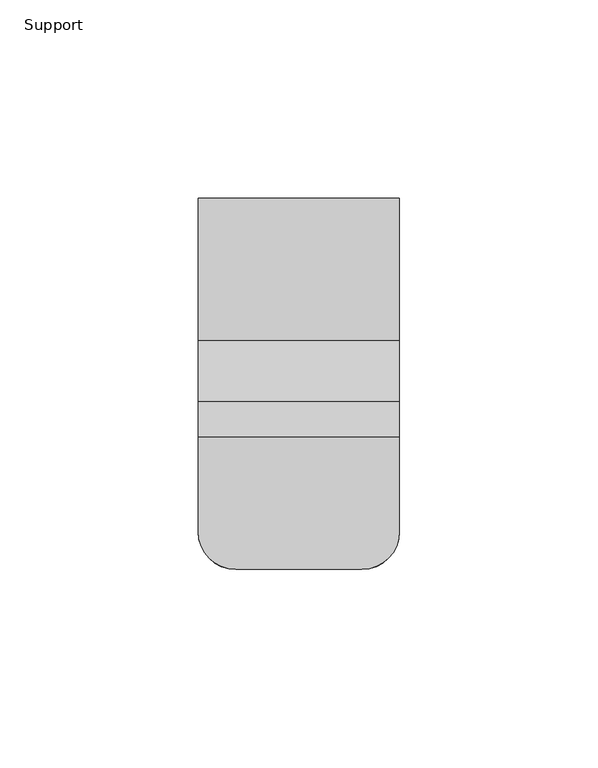
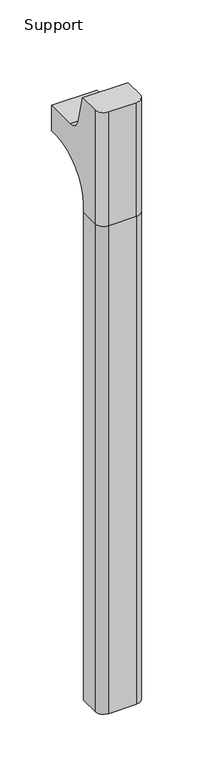
"""IFC4 building model written with IfcOpenShell, lengths in millimetres: furniture geometry, Support."""

from ifc_helpers import new_model, si_unit, frame, origin, place, context, project, spatial, polyline, circle_curve, source, transform, mapped, element, save
from ifc_brep_helpers import plane_surface, cylinder_surface, revolved_surface, advanced_brep


def support_bf351edd(model_context):
    return source(origin(), model_context, "Body", "AdvancedBrep", [
        advanced_brep(
        [(190.5, -260.1248053, 711.2), (190.5, -251.0667045, 677.3947076), (190.5, -235.732632, 665.6284599), (190.5, -199.7534766, 665.6284599), (190.5, -199.7534766, 635.6476591), (190.5, -210.8659766, 635.6476591), (190.5, -261.6659766, 584.8476591), (190.5, -261.6659766, 576.659375), (190.5, -283.8909766, 576.659375), (190.5, -283.8909766, 711.2), (241.3, -261.6659766, 576.659375), (241.3, -261.6659766, 584.8476591), (241.3, -210.8659766, 635.6476591), (241.3, -199.7534766, 635.6476591), (241.3, -199.7534766, 665.6284599), (241.3, -235.732632, 665.6284599), (241.3, -251.0667045, 677.3947076), (241.3, -260.1248053, 711.2), (241.3, -283.8909766, 711.2), (241.3, -283.8909766, 576.659375), (200.025, -293.4159766, 711.2), (231.775, -293.4159766, 711.2), (231.775, -293.4159766, 576.659375), (200.025, -293.4159766, 576.659375)],
        [
            (0, 1),
            (1, 2, circle_curve(frame((190.5, -235.732632, 681.5034599), z_axis=(1.0, 0.0, 0.0), x_axis=(0.0, -1.0, 0.0)), 15.875)),
            (2, 3),
            (3, 4),
            (4, 5),
            (5, 6, circle_curve(frame((190.5, -210.8659766, 584.8476591), z_axis=(1.0, 0.0, 0.0), x_axis=(0.0, -1.0, 0.0)), 50.8)),
            (6, 7),
            (7, 8),
            (8, 9),
            (9, 0),
            (10, 11),
            (11, 12, circle_curve(frame((241.3, -210.8659766, 584.8476591), z_axis=(-1.0, 0.0, 0.0), x_axis=(0.0, -1.0, 0.0)), 50.8)),
            (12, 13),
            (13, 14),
            (14, 15),
            (15, 16, circle_curve(frame((241.3, -235.732632, 681.5034599), z_axis=(-1.0, 0.0, 0.0), x_axis=(0.0, -1.0, 0.0)), 15.875)),
            (16, 17),
            (17, 18),
            (18, 19),
            (19, 10),
            (17, 0),
            (9, 20, circle_curve(frame((200.025, -283.8909766, 711.2), z_axis=(0.0, 0.0, 1.0), x_axis=(1.0, 0.0, 0.0)), 9.525)),
            (20, 21),
            (21, 18, circle_curve(frame((231.775, -283.8909766, 711.2), z_axis=(0.0, 0.0, 1.0), x_axis=(1.0, 0.0, 0.0)), 9.525)),
            (16, 1),
            (15, 2),
            (14, 3),
            (13, 4),
            (12, 5),
            (7, 10),
            (19, 22, circle_curve(frame((231.775, -283.8909766, 576.659375), z_axis=(0.0, 0.0, -1.0), x_axis=(1.0, 0.0, 0.0)), 9.525)),
            (22, 23),
            (23, 8, circle_curve(frame((200.025, -283.8909766, 576.659375), z_axis=(0.0, 0.0, -1.0), x_axis=(1.0, 0.0, 0.0)), 9.525)),
            (11, 6),
            (23, 20),
            (21, 22),
        ],
        [
            plane_surface(frame((190.5, -300.3425061, 711.2), z_axis=(-1.0, 0.0, 0.0), x_axis=(0.0, 1.0, 0.0))),
            plane_surface(frame((241.3, -300.3425061, 711.2), z_axis=(1.0, 0.0, 0.0), x_axis=(0.0, -1.0, 0.0))),
            plane_surface(frame((190.5, -300.3425061, 711.2), z_axis=(0.0, 0.0, 1.0), x_axis=(1.0, 0.0, 0.0))),
            plane_surface(frame((190.5, -260.1248053, 711.2), z_axis=(0.0, 0.9659258262890683, 0.2588190451025207), x_axis=(1.0, 0.0, 0.0))),
            revolved_surface(polyline([(241.3, -251.607632, 681.5034599), (190.5, -251.607632, 681.5034599)]), (241.3, -235.732632, 681.5034599), (1.0, 0.0, 0.0)),
            plane_surface(frame((190.5, -235.732632, 665.6284599), z_axis=(0.0, 0.0, 1.0), x_axis=(1.0, 0.0, 0.0))),
            plane_surface(frame((190.5, -199.7534766, 665.6284599), z_axis=(0.0, 1.0, 0.0), x_axis=(1.0, 0.0, 0.0))),
            plane_surface(frame((190.5, -199.7534766, 635.6476591), z_axis=(0.0, 0.0, -1.0), x_axis=(1.0, 0.0, 0.0))),
            plane_surface(frame((190.5, -261.6659766, 576.659375), z_axis=(0.0, 0.0, -1.0), x_axis=(1.0, 0.0, 0.0))),
            revolved_surface(polyline([(241.3, -261.6659766, 584.8476591), (190.5, -261.6659766, 584.8476591)]), (241.3, -210.8659766, 584.8476591), (1.0, 0.0, 0.0)),
            plane_surface(frame((190.5, -261.6659766, 584.8476591), z_axis=(0.0, 1.0, 0.0), x_axis=(1.0, 0.0, 0.0))),
            cylinder_surface(frame((200.025, -283.8909766, 524.9807374), z_axis=(0.0, 0.0, -1.0), x_axis=(1.0, 0.0, 0.0)), 9.525),
            cylinder_surface(frame((231.775, -283.8909766, 524.9807374), z_axis=(0.0, 0.0, -1.0), x_axis=(1.0, 0.0, 0.0)), 9.525),
            plane_surface(frame((231.775, -293.4159766, 711.2), z_axis=(0.0, -1.0, 0.0), x_axis=(0.0, 0.0, -1.0))),
        ],
        [
            (0, [[1, 2, 3, 4, 5, 6, 7, 8, 9, 10]]),
            (1, [[11, 12, 13, 14, 15, 16, 17, 18, 19, 20]]),
            (2, [[21, -10, 22, 23, 24, -18]]),
            (3, [[-1, -21, -17, 25]]),
            (4, [[-2, -25, -16, 26]]),
            (5, [[-3, -26, -15, 27]]),
            (6, [[-4, -27, -14, 28]]),
            (7, [[-5, -28, -13, 29]]),
            (8, [[30, -20, 31, 32, 33, -8]]),
            (9, [[-6, -29, -12, 34]]),
            (10, [[-7, -34, -11, -30]]),
            (11, [[35, -22, -9, -33]]),
            (12, [[36, -31, -19, -24]]),
            (13, [[-35, -32, -36, -23]]),
        ],
    ),
        advanced_brep(
        [(241.3, -261.6659766, 576.659375), (190.5, -261.6659766, 576.659375), (190.5, -283.8909766, 576.659375), (200.025, -293.4159766, 576.659375), (231.775, -293.4159766, 576.659375), (241.3, -283.8909766, 576.659375), (241.3, -261.6659766, 0.0), (241.3, -283.8909766, 0.0), (231.775, -293.4159766, 0.0), (200.025, -293.4159766, 0.0), (190.5, -283.8909766, 0.0), (190.5, -261.6659766, 0.0), (190.5, -283.8909766, 524.9807374), (200.025, -293.4159766, 524.9807374), (231.775, -293.4159766, 524.9807374), (241.3, -283.8909766, 524.9807374)],
        [
            (0, 1),
            (1, 2),
            (2, 3, circle_curve(frame((200.025, -283.8909766, 576.659375), z_axis=(0.0, 0.0, 1.0), x_axis=(1.0, 0.0, 0.0)), 9.525)),
            (3, 4),
            (4, 5, circle_curve(frame((231.775, -283.8909766, 576.659375), z_axis=(0.0, 0.0, 1.0), x_axis=(1.0, 0.0, 0.0)), 9.525)),
            (5, 0),
            (6, 7),
            (7, 8, circle_curve(frame((231.775, -283.8909766, 0.0), z_axis=(0.0, 0.0, -1.0), x_axis=(1.0, 0.0, 0.0)), 9.525)),
            (8, 9),
            (9, 10, circle_curve(frame((200.025, -283.8909766, 0.0), z_axis=(0.0, 0.0, -1.0), x_axis=(1.0, 0.0, 0.0)), 9.525)),
            (10, 11),
            (11, 6),
            (0, 6),
            (11, 1),
            (10, 12),
            (12, 2),
            (9, 13),
            (13, 3),
            (8, 14),
            (14, 4),
            (7, 15),
            (15, 5),
        ],
        [
            plane_surface(frame((183.3037097, -261.6659766, 576.659375), z_axis=(0.0, 0.0, 1.0), x_axis=(-1.0, 0.0, 0.0))),
            plane_surface(frame((183.3037097, -261.6659766, 0.0), z_axis=(0.0, 0.0, -1.0), x_axis=(1.0, 0.0, 0.0))),
            plane_surface(frame((241.3, -261.6659766, 576.659375), z_axis=(0.0, 1.0, 0.0), x_axis=(0.0, 0.0, -1.0))),
            plane_surface(frame((190.5, -261.6659766, 576.659375), z_axis=(-1.0, 0.0, 0.0), x_axis=(0.0, 0.0, -1.0))),
            cylinder_surface(frame((200.025, -283.8909766, 0.0), z_axis=(0.0, 0.0, 1.0), x_axis=(1.0, 0.0, 0.0)), 9.525),
            plane_surface(frame((200.025, -293.4159766, 576.659375), z_axis=(0.0, -1.0, 0.0), x_axis=(0.0, 0.0, -1.0))),
            cylinder_surface(frame((231.775, -283.8909766, 0.0), z_axis=(0.0, 0.0, 1.0), x_axis=(1.0, 0.0, 0.0)), 9.525),
            plane_surface(frame((241.3, -283.8909766, 576.659375), z_axis=(1.0, 0.0, 0.0), x_axis=(0.0, 0.0, -1.0))),
        ],
        [
            (0, [[1, 2, 3, 4, 5, 6]]),
            (1, [[7, 8, 9, 10, 11, 12]]),
            (2, [[-1, 13, -12, 14]]),
            (3, [[-2, -14, -11, 15, 16]]),
            (4, [[-3, -16, -15, -10, 17, 18]]),
            (5, [[-4, -18, -17, -9, 19, 20]]),
            (6, [[-5, -20, -19, -8, 21, 22]]),
            (7, [[-6, -22, -21, -7, -13]]),
        ],
    ),
    ])


if __name__ == "__main__":
    model = new_model("IFC4")
    model_context = context("Model", 3, world=origin())
    ifc_project = project(units=[si_unit("LENGTHUNIT", "METRE", prefix="MILLI")], contexts=[model_context])
    site = spatial("IfcSite", under=ifc_project)
    building = spatial("IfcBuilding", under=site)
    placement = place(None, origin())
    support_shape = support_bf351edd(model_context)
    element("IfcFurniture", 1, ObjectType="Support", at=placement, inside=building, context=model_context, shape_type="MappedRepresentation", body=[
        mapped(support_shape, transform((0.0, 0.0, 0.0), x_axis=(1.0, 0.0, 0.0), y_axis=(0.0, 1.0, 0.0), z_axis=(0.0, 0.0, 1.0))),
    ])
    save(model, "model.ifc")
